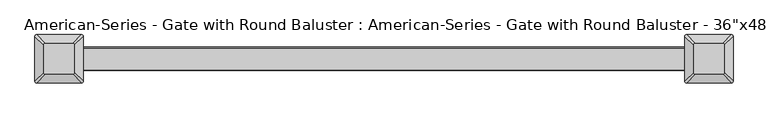
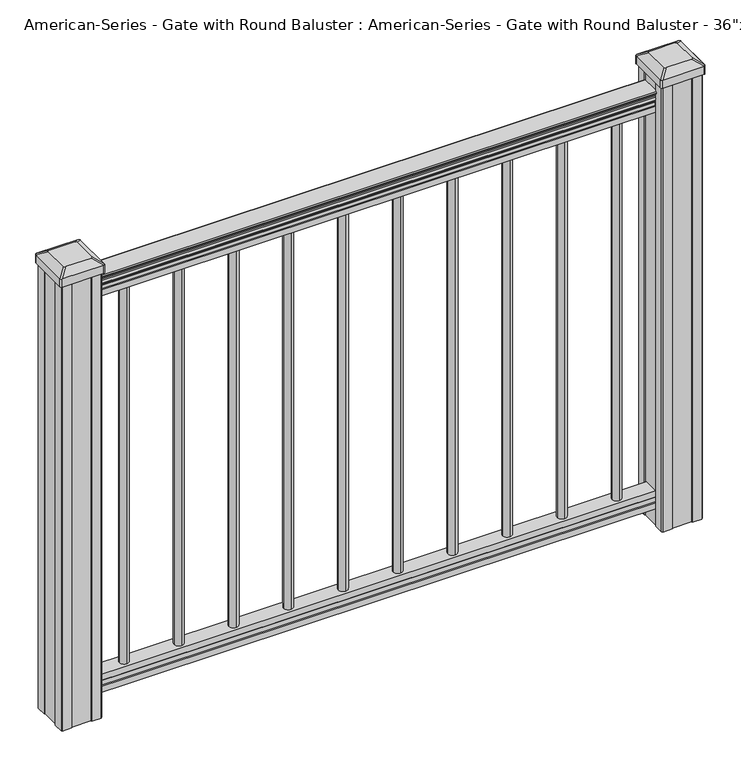
"""IFC4 building model written with IfcOpenShell, lengths in millimetres: proxy geometry."""

from ifc_helpers import new_model, si_unit, point, frame, frame_2d, origin, place, context, project, spatial, polyline, circle_curve, trimmed, segment, composite_curve, outline, extrude, source, transform, mapped, element, save
from ifc_brep_helpers import plane_surface, extruded_surface, advanced_brep


def proxy_053e6628(model_context):
    return source(origin(), model_context, "Body", "SolidModel", [
        extrude(outline(composite_curve([segment(trimmed(circle_curve(frame_2d((388.9375, 0.0)), 9.525), [point((388.9375, 9.525))], [point((398.4625, 0.0))], False, "CARTESIAN"), True, "CONTINUOUS"), segment(trimmed(circle_curve(frame_2d((388.9375, 0.0)), 9.525), [point((398.4625, 0.0))], [point((388.9375, -9.525))], False, "CARTESIAN"), True, "CONTINUOUS"), segment(trimmed(circle_curve(frame_2d((388.9375, 0.0)), 9.525), [point((388.9375, -9.525))], [point((379.4125, 0.0))], False, "CARTESIAN"), True, "CONTINUOUS"), segment(trimmed(circle_curve(frame_2d((388.9375, 0.0)), 9.525), [point((379.4125, 0.0))], [point((388.9375, 9.525))], False, "CARTESIAN"), True, "CONTINUOUS")], self_intersect=False)), frame((0.0, 0.0, 101.6), z_axis=(0.0, 0.0, 1.0), x_axis=(1.0, 0.0, 0.0)), (0.0, 0.0, 1.0), 812.8),
        extrude(outline(composite_curve([segment(trimmed(circle_curve(frame_2d((277.8125, 0.0)), 9.525), [point((277.8125, 9.525))], [point((287.3375, 0.0))], False, "CARTESIAN"), True, "CONTINUOUS"), segment(trimmed(circle_curve(frame_2d((277.8125, 0.0)), 9.525), [point((287.3375, 0.0))], [point((277.8125, -9.525))], False, "CARTESIAN"), True, "CONTINUOUS"), segment(trimmed(circle_curve(frame_2d((277.8125, 0.0)), 9.525), [point((277.8125, -9.525))], [point((268.2875, 0.0))], False, "CARTESIAN"), True, "CONTINUOUS"), segment(trimmed(circle_curve(frame_2d((277.8125, 0.0)), 9.525), [point((268.2875, 0.0))], [point((277.8125, 9.525))], False, "CARTESIAN"), True, "CONTINUOUS")], self_intersect=False)), frame((0.0, 0.0, 101.6), z_axis=(0.0, 0.0, 1.0), x_axis=(1.0, 0.0, 0.0)), (0.0, 0.0, 1.0), 812.8),
        extrude(outline(composite_curve([segment(trimmed(circle_curve(frame_2d((166.6875, 0.0)), 9.525), [point((166.6875, 9.525))], [point((176.2125, 0.0))], False, "CARTESIAN"), True, "CONTINUOUS"), segment(trimmed(circle_curve(frame_2d((166.6875, 0.0)), 9.525), [point((176.2125, 0.0))], [point((166.6875, -9.525))], False, "CARTESIAN"), True, "CONTINUOUS"), segment(trimmed(circle_curve(frame_2d((166.6875, 0.0)), 9.525), [point((166.6875, -9.525))], [point((157.1625, 0.0))], False, "CARTESIAN"), True, "CONTINUOUS"), segment(trimmed(circle_curve(frame_2d((166.6875, 0.0)), 9.525), [point((157.1625, 0.0))], [point((166.6875, 9.525))], False, "CARTESIAN"), True, "CONTINUOUS")], self_intersect=False)), frame((0.0, 0.0, 101.6), z_axis=(0.0, 0.0, 1.0), x_axis=(1.0, 0.0, 0.0)), (0.0, 0.0, 1.0), 812.8),
        extrude(outline(composite_curve([segment(trimmed(circle_curve(frame_2d((55.5625, 0.0)), 9.525), [point((55.5625, 9.525))], [point((65.0875, 0.0))], False, "CARTESIAN"), True, "CONTINUOUS"), segment(trimmed(circle_curve(frame_2d((55.5625, 0.0)), 9.525), [point((65.0875, 0.0))], [point((55.5625, -9.525))], False, "CARTESIAN"), True, "CONTINUOUS"), segment(trimmed(circle_curve(frame_2d((55.5625, 0.0)), 9.525), [point((55.5625, -9.525))], [point((46.0375, 0.0))], False, "CARTESIAN"), True, "CONTINUOUS"), segment(trimmed(circle_curve(frame_2d((55.5625, 0.0)), 9.525), [point((46.0375, 0.0))], [point((55.5625, 9.525))], False, "CARTESIAN"), True, "CONTINUOUS")], self_intersect=False)), frame((0.0, 0.0, 101.6), z_axis=(0.0, 0.0, 1.0), x_axis=(1.0, 0.0, 0.0)), (0.0, 0.0, 1.0), 812.8),
        extrude(outline(composite_curve([segment(trimmed(circle_curve(frame_2d((-55.5625, 0.0)), 9.525), [point((-55.5625, 9.525))], [point((-46.0375, 0.0))], False, "CARTESIAN"), True, "CONTINUOUS"), segment(trimmed(circle_curve(frame_2d((-55.5625, 0.0)), 9.525), [point((-46.0375, 0.0))], [point((-55.5625, -9.525))], False, "CARTESIAN"), True, "CONTINUOUS"), segment(trimmed(circle_curve(frame_2d((-55.5625, 0.0)), 9.525), [point((-55.5625, -9.525))], [point((-65.0875, 0.0))], False, "CARTESIAN"), True, "CONTINUOUS"), segment(trimmed(circle_curve(frame_2d((-55.5625, 0.0)), 9.525), [point((-65.0875, 0.0))], [point((-55.5625, 9.525))], False, "CARTESIAN"), True, "CONTINUOUS")], self_intersect=False)), frame((0.0, 0.0, 101.6), z_axis=(0.0, 0.0, 1.0), x_axis=(1.0, 0.0, 0.0)), (0.0, 0.0, 1.0), 812.8),
        extrude(outline(composite_curve([segment(trimmed(circle_curve(frame_2d((-166.6875, 0.0)), 9.525), [point((-166.6875, 9.525))], [point((-157.1625, 0.0))], False, "CARTESIAN"), True, "CONTINUOUS"), segment(trimmed(circle_curve(frame_2d((-166.6875, 0.0)), 9.525), [point((-157.1625, 0.0))], [point((-166.6875, -9.525))], False, "CARTESIAN"), True, "CONTINUOUS"), segment(trimmed(circle_curve(frame_2d((-166.6875, 0.0)), 9.525), [point((-166.6875, -9.525))], [point((-176.2125, 0.0))], False, "CARTESIAN"), True, "CONTINUOUS"), segment(trimmed(circle_curve(frame_2d((-166.6875, 0.0)), 9.525), [point((-176.2125, 0.0))], [point((-166.6875, 9.525))], False, "CARTESIAN"), True, "CONTINUOUS")], self_intersect=False)), frame((0.0, 0.0, 101.6), z_axis=(0.0, 0.0, 1.0), x_axis=(1.0, 0.0, 0.0)), (0.0, 0.0, 1.0), 812.8),
        extrude(outline(composite_curve([segment(trimmed(circle_curve(frame_2d((-277.8125, 0.0)), 9.525), [point((-277.8125, 9.525))], [point((-268.2875, 0.0))], False, "CARTESIAN"), True, "CONTINUOUS"), segment(trimmed(circle_curve(frame_2d((-277.8125, 0.0)), 9.525), [point((-268.2875, 0.0))], [point((-277.8125, -9.525))], False, "CARTESIAN"), True, "CONTINUOUS"), segment(trimmed(circle_curve(frame_2d((-277.8125, 0.0)), 9.525), [point((-277.8125, -9.525))], [point((-287.3375, 0.0))], False, "CARTESIAN"), True, "CONTINUOUS"), segment(trimmed(circle_curve(frame_2d((-277.8125, 0.0)), 9.525), [point((-287.3375, 0.0))], [point((-277.8125, 9.525))], False, "CARTESIAN"), True, "CONTINUOUS")], self_intersect=False)), frame((0.0, 0.0, 101.6), z_axis=(0.0, 0.0, 1.0), x_axis=(1.0, 0.0, 0.0)), (0.0, 0.0, 1.0), 812.8),
        extrude(outline(composite_curve([segment(trimmed(circle_curve(frame_2d((-388.9375, 0.0)), 9.525), [point((-388.9375, 9.525))], [point((-379.4125, 0.0))], False, "CARTESIAN"), True, "CONTINUOUS"), segment(trimmed(circle_curve(frame_2d((-388.9375, 0.0)), 9.525), [point((-379.4125, 0.0))], [point((-388.9375, -9.525))], False, "CARTESIAN"), True, "CONTINUOUS"), segment(trimmed(circle_curve(frame_2d((-388.9375, 0.0)), 9.525), [point((-388.9375, -9.525))], [point((-398.4625, 0.0))], False, "CARTESIAN"), True, "CONTINUOUS"), segment(trimmed(circle_curve(frame_2d((-388.9375, 0.0)), 9.525), [point((-398.4625, 0.0))], [point((-388.9375, 9.525))], False, "CARTESIAN"), True, "CONTINUOUS")], self_intersect=False)), frame((0.0, 0.0, 101.6), z_axis=(0.0, 0.0, 1.0), x_axis=(1.0, 0.0, 0.0)), (0.0, 0.0, 1.0), 812.8),
        extrude(outline(composite_curve([segment(trimmed(circle_curve(frame_2d((500.0625, 0.0)), 9.525), [point((500.0625, 9.525))], [point((509.5875, 0.0))], False, "CARTESIAN"), True, "CONTINUOUS"), segment(trimmed(circle_curve(frame_2d((500.0625, 0.0)), 9.525), [point((509.5875, 0.0))], [point((500.0625, -9.525))], False, "CARTESIAN"), True, "CONTINUOUS"), segment(trimmed(circle_curve(frame_2d((500.0625, 0.0)), 9.525), [point((500.0625, -9.525))], [point((490.5375, 0.0))], False, "CARTESIAN"), True, "CONTINUOUS"), segment(trimmed(circle_curve(frame_2d((500.0625, 0.0)), 9.525), [point((490.5375, 0.0))], [point((500.0625, 9.525))], False, "CARTESIAN"), True, "CONTINUOUS")], self_intersect=False)), frame((0.0, 0.0, 101.6), z_axis=(0.0, 0.0, 1.0), x_axis=(1.0, 0.0, 0.0)), (0.0, 0.0, 1.0), 812.8),
        extrude(outline(composite_curve([segment(trimmed(circle_curve(frame_2d((-500.0625, 0.0)), 9.525), [point((-500.0625, 9.525))], [point((-490.5375, 0.0))], False, "CARTESIAN"), True, "CONTINUOUS"), segment(trimmed(circle_curve(frame_2d((-500.0625, 0.0)), 9.525), [point((-490.5375, 0.0))], [point((-500.0625, -9.525))], False, "CARTESIAN"), True, "CONTINUOUS"), segment(trimmed(circle_curve(frame_2d((-500.0625, 0.0)), 9.525), [point((-500.0625, -9.525))], [point((-509.5875, 0.0))], False, "CARTESIAN"), True, "CONTINUOUS"), segment(trimmed(circle_curve(frame_2d((-500.0625, 0.0)), 9.525), [point((-509.5875, 0.0))], [point((-500.0625, 9.525))], False, "CARTESIAN"), True, "CONTINUOUS")], self_intersect=False)), frame((0.0, 0.0, 101.6), z_axis=(0.0, 0.0, 1.0), x_axis=(1.0, 0.0, 0.0)), (0.0, 0.0, 1.0), 812.8),
        extrude(outline(composite_curve([segment(polyline([(938.4043297, 17.4328287), (940.292412, 17.4328287)]), True, "CONTINUOUS"), segment(trimmed(circle_curve(frame_2d((946.0506383, 11.1180755)), 8.545951), [point((940.292412, 17.4328287))], [point((941.8546695, 18.563015))], False, "CARTESIAN"), True, "CONTINUOUS"), segment(trimmed(circle_curve(frame_2d((945.4636577, 11.5551384)), 7.882584), [point((941.8546695, 18.563015))], [point((949.0726458, 18.563015))], False, "CARTESIAN"), True, "CONTINUOUS"), segment(trimmed(circle_curve(frame_2d((951.3112527, 22.0684625)), 4.1592695), [point((949.0726458, 18.563015))], [point((951.5060812, 17.9137586))], True, "CARTESIAN"), True, "CONTINUOUS"), segment(trimmed(circle_curve(frame_2d((951.2508864, 23.3557691)), 5.4479907), [point((951.5060812, 17.9137586))], [point((955.8362083, 20.4137586))], True, "CARTESIAN"), True, "CONTINUOUS"), segment(trimmed(circle_curve(frame_2d((955.833395, 22.1226107)), 1.7088543), [point((955.8362083, 20.4137586))], [point((957.5157972, 21.8231011))], True, "CARTESIAN"), True, "CONTINUOUS"), segment(trimmed(circle_curve(frame_2d((958.6205318, 20.5057106)), 1.7192895), [point((957.5157972, 21.8231011))], [point((958.6205318, 22.2250001))], False, "CARTESIAN"), True, "CONTINUOUS"), segment(polyline([(958.6205318, 22.2250001), (959.9608158, 22.225)]), True, "CONTINUOUS"), segment(trimmed(circle_curve(frame_2d((959.9608158, 20.6715528)), 1.5534472), [point((959.9608158, 22.225))], [point((961.514263, 20.6715528))], False, "CARTESIAN"), True, "CONTINUOUS"), segment(polyline([(961.514263, 20.6715528), (961.514263, -20.6715528)]), True, "CONTINUOUS"), segment(trimmed(circle_curve(frame_2d((959.9608158, -20.6715528)), 1.5534472), [point((961.514263, -20.6715528))], [point((959.9608158, -22.225))], False, "CARTESIAN"), True, "CONTINUOUS"), segment(polyline([(959.9608158, -22.225), (958.6205318, -22.225)]), True, "CONTINUOUS"), segment(trimmed(circle_curve(frame_2d((958.6205318, -20.5057106)), 1.7192895), [point((958.6205318, -22.225))], [point((957.5157972, -21.8231011))], False, "CARTESIAN"), True, "CONTINUOUS"), segment(trimmed(circle_curve(frame_2d((955.833395, -22.1226107)), 1.7088543), [point((957.5157972, -21.8231011))], [point((955.8362083, -20.4137586))], True, "CARTESIAN"), True, "CONTINUOUS"), segment(trimmed(circle_curve(frame_2d((951.2508864, -23.3557691)), 5.4479907), [point((955.8362083, -20.4137586))], [point((951.5060812, -17.9137586))], True, "CARTESIAN"), True, "CONTINUOUS"), segment(trimmed(circle_curve(frame_2d((951.3112527, -22.0684625)), 4.1592695), [point((951.5060812, -17.9137586))], [point((949.0726458, -18.563015))], True, "CARTESIAN"), True, "CONTINUOUS"), segment(trimmed(circle_curve(frame_2d((945.4636577, -11.5551384)), 7.882584), [point((949.0726458, -18.563015))], [point((941.8546695, -18.563015))], False, "CARTESIAN"), True, "CONTINUOUS"), segment(trimmed(circle_curve(frame_2d((946.0506383, -11.1180755)), 8.545951), [point((941.8546695, -18.563015))], [point((940.292412, -17.4328287))], False, "CARTESIAN"), True, "CONTINUOUS"), segment(polyline([(940.292412, -17.4328287), (938.4043297, -17.4328287)]), True, "CONTINUOUS"), segment(trimmed(circle_curve(frame_2d((938.4043297, -16.1459144)), 1.2869144), [point((938.4043297, -17.4328287))], [point((938.4043297, -14.859))], False, "CARTESIAN"), True, "CONTINUOUS"), segment(polyline([(938.4043297, -14.859), (927.9048283, -14.859), (926.8888283, -15.875), (914.4, -15.875), (914.4, 15.875), (926.731013, 15.875), (927.747013, 14.859), (938.4043297, 14.859)]), True, "CONTINUOUS"), segment(trimmed(circle_curve(frame_2d((938.4043297, 16.1459144)), 1.2869144), [point((938.4043297, 14.859))], [point((938.4043297, 17.4328287))], False, "CARTESIAN"), True, "CONTINUOUS")], self_intersect=False)), frame((609.6, 0.0, 0.0), z_axis=(-1.0, 0.0, 0.0), x_axis=(0.0, 0.0, 1.0)), (0.0, 0.0, 1.0), 1219.2),
        extrude(outline(polyline([(-15.9124869, 76.0541976), (-14.8964869, 77.3546183), (-14.8964869, 87.7141717), (-15.9124869, 89.0624492), (-15.9124869, 101.5958781), (15.8375131, 101.5958781), (15.8375131, 89.0458024), (14.8215131, 87.6975248), (14.8215131, 77.3858283), (15.8375131, 76.0375508), (15.8375131, 63.5), (-15.9124869, 63.5), (-15.9124869, 76.0541976)])), frame((-609.6, 0.0, 0.0), z_axis=(1.0, 0.0, 0.0), x_axis=(0.0, 1.0, 0.0)), (0.0, 0.0, 1.0), 1219.2),
        advanced_brep(
        [(583.803125, 28.971875, 1012.952), (580.628125, 25.796875, 1012.952), (580.628125, -25.796875, 1012.952), (583.803125, -28.971875, 1012.952), (635.396875, -28.971875, 1012.952), (638.571875, -25.796875, 1012.952), (638.571875, 25.796875, 1012.952), (635.396875, 28.971875, 1012.952), (567.53125, 45.24375, 1001.649), (651.66875, 45.24375, 1001.649), (654.84375, 42.06875, 1001.649), (654.84375, -42.06875, 1001.649), (651.66875, -45.24375, 1001.649), (567.53125, -45.24375, 1001.649), (564.35625, -42.06875, 1001.649), (564.35625, 42.06875, 1001.649)],
        [
            (0, 1, circle_curve(frame((583.803125, 25.796875, 1012.952), z_axis=(0.0, 0.0, 1.0), x_axis=(0.0, -1.0, 0.0)), 3.175)),
            (1, 2),
            (2, 3, circle_curve(frame((583.803125, -25.796875, 1012.952), z_axis=(0.0, 0.0, 1.0), x_axis=(0.0, -1.0, 0.0)), 3.175)),
            (3, 4),
            (4, 5, circle_curve(frame((635.396875, -25.796875, 1012.952), z_axis=(0.0, 0.0, 1.0), x_axis=(0.0, -1.0, 0.0)), 3.175)),
            (5, 6),
            (6, 7, circle_curve(frame((635.396875, 25.796875, 1012.952), z_axis=(0.0, 0.0, 1.0), x_axis=(0.0, -1.0, 0.0)), 3.175)),
            (7, 0),
            (8, 9),
            (9, 10, circle_curve(frame((651.66875, 42.06875, 1001.649), z_axis=(0.0, 0.0, -1.0), x_axis=(0.0, -1.0, 0.0)), 3.175)),
            (10, 11),
            (11, 12, circle_curve(frame((651.66875, -42.06875, 1001.649), z_axis=(0.0, 0.0, -1.0), x_axis=(0.0, -1.0, 0.0)), 3.175)),
            (12, 13),
            (13, 14, circle_curve(frame((567.53125, -42.06875, 1001.649), z_axis=(0.0, 0.0, -1.0), x_axis=(0.0, -1.0, 0.0)), 3.175)),
            (14, 15),
            (15, 8, circle_curve(frame((567.53125, 42.06875, 1001.649), z_axis=(0.0, 0.0, -1.0), x_axis=(0.0, -1.0, 0.0)), 3.175)),
            (15, 1),
            (0, 8),
            (14, 2),
            (13, 3),
            (12, 4),
            (11, 5),
            (10, 6),
            (9, 7),
        ],
        [
            plane_surface(frame((609.6, 0.0, 1012.952), z_axis=(0.0, 0.0, 1.0), x_axis=(-1.0, 0.0, 0.0))),
            plane_surface(frame((609.6, 0.0, 1001.649), z_axis=(0.0, 0.0, -1.0), x_axis=(-1.0, 0.0, 0.0))),
            extruded_surface(trimmed(circle_curve(frame((567.53125, 42.06875, 1001.649), z_axis=(0.0, 0.0, 1.0), x_axis=(0.0, -1.0, 0.0)), 3.175), [point((567.53125, 45.24375, 1001.649))], [point((564.35625, 42.06875, 1001.649))], True, "CARTESIAN"), (16.271875000000023, -16.271875, 11.302999999999997), 25.637972638866177),
            plane_surface(frame((564.35625, 0.0, 1001.649), z_axis=(-0.5705009161540779, 0.0, 0.8212969649690408), x_axis=(0.0, -1.0, 0.0))),
            extruded_surface(trimmed(circle_curve(frame((567.53125, -42.06875, 1001.649), z_axis=(0.0, 0.0, 1.0), x_axis=(0.0, -1.0, 0.0)), 3.175), [point((564.35625, -42.06875, 1001.649))], [point((567.53125, -45.24375, 1001.649))], True, "CARTESIAN"), (16.271875000000023, 16.271875, 11.302999999999997), 25.637972638866177),
            plane_surface(frame((609.6, -45.24375, 1001.649), z_axis=(0.0, -0.5705009161540291, 0.8212969649690747), x_axis=(1.0, 0.0, 0.0))),
            extruded_surface(trimmed(circle_curve(frame((651.66875, -42.06875, 1001.649), z_axis=(0.0, 0.0, 1.0), x_axis=(0.0, -1.0, 0.0)), 3.175), [point((651.66875, -45.24375, 1001.649))], [point((654.84375, -42.06875, 1001.649))], True, "CARTESIAN"), (-16.271875000000023, 16.271875, 11.302999999999997), 25.637972638866177),
            plane_surface(frame((654.84375, 0.0, 1001.649), z_axis=(0.5705009161540141, 0.0, 0.8212969649690851), x_axis=(0.0, 1.0, 0.0))),
            extruded_surface(trimmed(circle_curve(frame((651.66875, 42.06875, 1001.649), z_axis=(0.0, 0.0, 1.0), x_axis=(0.0, -1.0, 0.0)), 3.175), [point((654.84375, 42.06875, 1001.649))], [point((651.66875, 45.24375, 1001.649))], True, "CARTESIAN"), (-16.271875000000023, -16.271875, 11.302999999999997), 25.637972638866177),
            plane_surface(frame((609.6, 45.24375, 1001.649), z_axis=(0.0, 0.570500916154034, 0.8212969649690713), x_axis=(-1.0, 0.0, 0.0))),
        ],
        [
            (0, [[1, 2, 3, 4, 5, 6, 7, 8]]),
            (1, [[9, 10, 11, 12, 13, 14, 15, 16]]),
            (2, [[-16, 17, -1, 18]]),
            (3, [[-15, 19, -2, -17]]),
            (4, [[-14, 20, -3, -19]]),
            (5, [[-13, 21, -4, -20]]),
            (6, [[-12, 22, -5, -21]]),
            (7, [[-11, 23, -6, -22]]),
            (8, [[-10, 24, -7, -23]]),
            (9, [[-9, -18, -8, -24]]),
        ],
    ),
        extrude(outline(composite_curve([segment(polyline([(567.53125, 45.24375), (651.66875, 45.24375)]), True, "CONTINUOUS"), segment(trimmed(circle_curve(frame_2d((651.66875, 42.06875)), 3.175), [point((651.66875, 45.24375))], [point((654.84375, 42.06875))], False, "CARTESIAN"), True, "CONTINUOUS"), segment(polyline([(654.84375, 42.06875), (654.84375, -42.06875)]), True, "CONTINUOUS"), segment(trimmed(circle_curve(frame_2d((651.66875, -42.06875)), 3.175), [point((654.84375, -42.06875))], [point((651.66875, -45.24375))], False, "CARTESIAN"), True, "CONTINUOUS"), segment(polyline([(651.66875, -45.24375), (567.53125, -45.24375)]), True, "CONTINUOUS"), segment(trimmed(circle_curve(frame_2d((567.53125, -42.06875)), 3.175), [point((567.53125, -45.24375))], [point((564.35625, -42.06875))], False, "CARTESIAN"), True, "CONTINUOUS"), segment(polyline([(564.35625, -42.06875), (564.35625, 42.06875)]), True, "CONTINUOUS"), segment(trimmed(circle_curve(frame_2d((567.53125, 42.06875)), 3.175), [point((564.35625, 42.06875))], [point((567.53125, 45.24375))], False, "CARTESIAN"), True, "CONTINUOUS")], self_intersect=False)), frame((0.0, 0.0, 984.377), z_axis=(0.0, 0.0, 1.0), x_axis=(1.0, 0.0, 0.0)), (0.0, 0.0, 1.0), 17.272),
        extrude(outline(polyline([(569.9125, 41.275), (589.534, 41.275), (590.296, 39.6875), (628.904, 39.6875), (629.666, 41.275), (649.2875, 41.275), (650.875, 39.6875), (650.875, 20.066), (649.2875, 19.304), (649.2875, -19.304), (650.875, -20.066), (650.875, -39.6875), (649.2875, -41.275), (629.666, -41.275), (628.904, -39.6875), (590.296, -39.6875), (589.534, -41.275), (569.9125, -41.275), (568.325, -39.6875), (568.325, -20.066), (569.9125, -19.304), (569.9125, 19.304), (568.325, 20.066), (568.325, 39.6875), (569.9125, 41.275)])), frame((0.0, 0.0, 28.702), z_axis=(0.0, 0.0, 1.0), x_axis=(1.0, 0.0, 0.0)), (0.0, 0.0, 1.0), 955.675),
        advanced_brep(
        [(-635.396875, 28.971875, 1012.952), (-638.571875, 25.796875, 1012.952), (-638.571875, -25.796875, 1012.952), (-635.396875, -28.971875, 1012.952), (-583.803125, -28.971875, 1012.952), (-580.628125, -25.796875, 1012.952), (-580.628125, 25.796875, 1012.952), (-583.803125, 28.971875, 1012.952), (-651.66875, 45.24375, 1001.649), (-567.53125, 45.24375, 1001.649), (-564.35625, 42.06875, 1001.649), (-564.35625, -42.06875, 1001.649), (-567.53125, -45.24375, 1001.649), (-651.66875, -45.24375, 1001.649), (-654.84375, -42.06875, 1001.649), (-654.84375, 42.06875, 1001.649)],
        [
            (0, 1, circle_curve(frame((-635.396875, 25.796875, 1012.952), z_axis=(0.0, 0.0, 1.0), x_axis=(0.0, -1.0, 0.0)), 3.175)),
            (1, 2),
            (2, 3, circle_curve(frame((-635.396875, -25.796875, 1012.952), z_axis=(0.0, 0.0, 1.0), x_axis=(0.0, -1.0, 0.0)), 3.175)),
            (3, 4),
            (4, 5, circle_curve(frame((-583.803125, -25.796875, 1012.952), z_axis=(0.0, 0.0, 1.0), x_axis=(0.0, -1.0, 0.0)), 3.175)),
            (5, 6),
            (6, 7, circle_curve(frame((-583.803125, 25.796875, 1012.952), z_axis=(0.0, 0.0, 1.0), x_axis=(0.0, -1.0, 0.0)), 3.175)),
            (7, 0),
            (8, 9),
            (9, 10, circle_curve(frame((-567.53125, 42.06875, 1001.649), z_axis=(0.0, 0.0, -1.0), x_axis=(0.0, -1.0, 0.0)), 3.175)),
            (10, 11),
            (11, 12, circle_curve(frame((-567.53125, -42.06875, 1001.649), z_axis=(0.0, 0.0, -1.0), x_axis=(0.0, -1.0, 0.0)), 3.175)),
            (12, 13),
            (13, 14, circle_curve(frame((-651.66875, -42.06875, 1001.649), z_axis=(0.0, 0.0, -1.0), x_axis=(0.0, -1.0, 0.0)), 3.175)),
            (14, 15),
            (15, 8, circle_curve(frame((-651.66875, 42.06875, 1001.649), z_axis=(0.0, 0.0, -1.0), x_axis=(0.0, -1.0, 0.0)), 3.175)),
            (15, 1),
            (0, 8),
            (14, 2),
            (13, 3),
            (12, 4),
            (11, 5),
            (10, 6),
            (9, 7),
        ],
        [
            plane_surface(frame((-609.6, 0.0, 1012.952), z_axis=(0.0, 0.0, 1.0), x_axis=(-1.0, 0.0, 0.0))),
            plane_surface(frame((-609.6, 0.0, 1001.649), z_axis=(0.0, 0.0, -1.0), x_axis=(-1.0, 0.0, 0.0))),
            extruded_surface(trimmed(circle_curve(frame((-651.66875, 42.06875, 1001.649), z_axis=(0.0, 0.0, 1.0), x_axis=(0.0, -1.0, 0.0)), 3.175), [point((-651.66875, 45.24375, 1001.649))], [point((-654.84375, 42.06875, 1001.649))], True, "CARTESIAN"), (16.271875000000023, -16.271875, 11.302999999999997), 25.637972638866177),
            plane_surface(frame((-654.84375, 0.0, 1001.649), z_axis=(-0.5705009161540779, 0.0, 0.8212969649690408), x_axis=(0.0, -1.0, 0.0))),
            extruded_surface(trimmed(circle_curve(frame((-651.66875, -42.06875, 1001.649), z_axis=(0.0, 0.0, 1.0), x_axis=(0.0, -1.0, 0.0)), 3.175), [point((-654.84375, -42.06875, 1001.649))], [point((-651.66875, -45.24375, 1001.649))], True, "CARTESIAN"), (16.271875000000023, 16.271875, 11.302999999999997), 25.637972638866177),
            plane_surface(frame((-609.6, -45.24375, 1001.649), z_axis=(0.0, -0.5705009161540291, 0.8212969649690747), x_axis=(1.0, 0.0, 0.0))),
            extruded_surface(trimmed(circle_curve(frame((-567.53125, -42.06875, 1001.649), z_axis=(0.0, 0.0, 1.0), x_axis=(0.0, -1.0, 0.0)), 3.175), [point((-567.53125, -45.24375, 1001.649))], [point((-564.35625, -42.06875, 1001.649))], True, "CARTESIAN"), (-16.271875000000023, 16.271875, 11.302999999999997), 25.637972638866177),
            plane_surface(frame((-564.35625, 0.0, 1001.649), z_axis=(0.5705009161540141, 0.0, 0.8212969649690851), x_axis=(0.0, 1.0, 0.0))),
            extruded_surface(trimmed(circle_curve(frame((-567.53125, 42.06875, 1001.649), z_axis=(0.0, 0.0, 1.0), x_axis=(0.0, -1.0, 0.0)), 3.175), [point((-564.35625, 42.06875, 1001.649))], [point((-567.53125, 45.24375, 1001.649))], True, "CARTESIAN"), (-16.271875000000023, -16.271875, 11.302999999999997), 25.637972638866177),
            plane_surface(frame((-609.6, 45.24375, 1001.649), z_axis=(0.0, 0.570500916154034, 0.8212969649690713), x_axis=(-1.0, 0.0, 0.0))),
        ],
        [
            (0, [[1, 2, 3, 4, 5, 6, 7, 8]]),
            (1, [[9, 10, 11, 12, 13, 14, 15, 16]]),
            (2, [[-16, 17, -1, 18]]),
            (3, [[-15, 19, -2, -17]]),
            (4, [[-14, 20, -3, -19]]),
            (5, [[-13, 21, -4, -20]]),
            (6, [[-12, 22, -5, -21]]),
            (7, [[-11, 23, -6, -22]]),
            (8, [[-10, 24, -7, -23]]),
            (9, [[-9, -18, -8, -24]]),
        ],
    ),
        extrude(outline(composite_curve([segment(polyline([(-651.66875, 45.24375), (-567.53125, 45.24375)]), True, "CONTINUOUS"), segment(trimmed(circle_curve(frame_2d((-567.53125, 42.06875)), 3.175), [point((-567.53125, 45.24375))], [point((-564.35625, 42.06875))], False, "CARTESIAN"), True, "CONTINUOUS"), segment(polyline([(-564.35625, 42.06875), (-564.35625, -42.06875)]), True, "CONTINUOUS"), segment(trimmed(circle_curve(frame_2d((-567.53125, -42.06875)), 3.175), [point((-564.35625, -42.06875))], [point((-567.53125, -45.24375))], False, "CARTESIAN"), True, "CONTINUOUS"), segment(polyline([(-567.53125, -45.24375), (-651.66875, -45.24375)]), True, "CONTINUOUS"), segment(trimmed(circle_curve(frame_2d((-651.66875, -42.06875)), 3.175), [point((-651.66875, -45.24375))], [point((-654.84375, -42.06875))], False, "CARTESIAN"), True, "CONTINUOUS"), segment(polyline([(-654.84375, -42.06875), (-654.84375, 42.06875)]), True, "CONTINUOUS"), segment(trimmed(circle_curve(frame_2d((-651.66875, 42.06875)), 3.175), [point((-654.84375, 42.06875))], [point((-651.66875, 45.24375))], False, "CARTESIAN"), True, "CONTINUOUS")], self_intersect=False)), frame((0.0, 0.0, 984.377), z_axis=(0.0, 0.0, 1.0), x_axis=(1.0, 0.0, 0.0)), (0.0, 0.0, 1.0), 17.272),
        extrude(outline(polyline([(-649.2875, 41.275), (-629.666, 41.275), (-628.904, 39.6875), (-590.296, 39.6875), (-589.534, 41.275), (-569.9125, 41.275), (-568.325, 39.6875), (-568.325, 20.066), (-569.9125, 19.304), (-569.9125, -19.304), (-568.325, -20.066), (-568.325, -39.6875), (-569.9125, -41.275), (-589.534, -41.275), (-590.296, -39.6875), (-628.904, -39.6875), (-629.666, -41.275), (-649.2875, -41.275), (-650.875, -39.6875), (-650.875, -20.066), (-649.2875, -19.304), (-649.2875, 19.304), (-650.875, 20.066), (-650.875, 39.6875), (-649.2875, 41.275)])), frame((0.0, 0.0, 28.702), z_axis=(0.0, 0.0, 1.0), x_axis=(1.0, 0.0, 0.0)), (0.0, 0.0, 1.0), 955.675),
    ])


if __name__ == "__main__":
    model = new_model("IFC4")
    model_context = context("Model", 3, world=origin())
    ifc_project = project(units=[si_unit("LENGTHUNIT", "METRE", prefix="MILLI")], contexts=[model_context])
    site = spatial("IfcSite", under=ifc_project)
    building = spatial("IfcBuilding", under=site)
    placement = place(None, origin())
    proxy_shape = proxy_053e6628(model_context)
    element("IfcBuildingElementProxy", 1, Name="American-Series - Gate with Round Baluster : American-Series - Gate with Round Baluster - 36\"x48\"", ObjectType="American-Series - Gate with Round Baluster : American-Series - Gate with Round Baluster - 36\"x48\"", at=placement, inside=building, context=model_context, shape_type="MappedRepresentation", body=[
        mapped(proxy_shape, transform((0.0, 0.0, 0.0), x_axis=(1.0, 0.0, 0.0), y_axis=(0.0, 1.0, 0.0), z_axis=(0.0, 0.0, 1.0))),
    ])
    save(model, "model.ifc")
